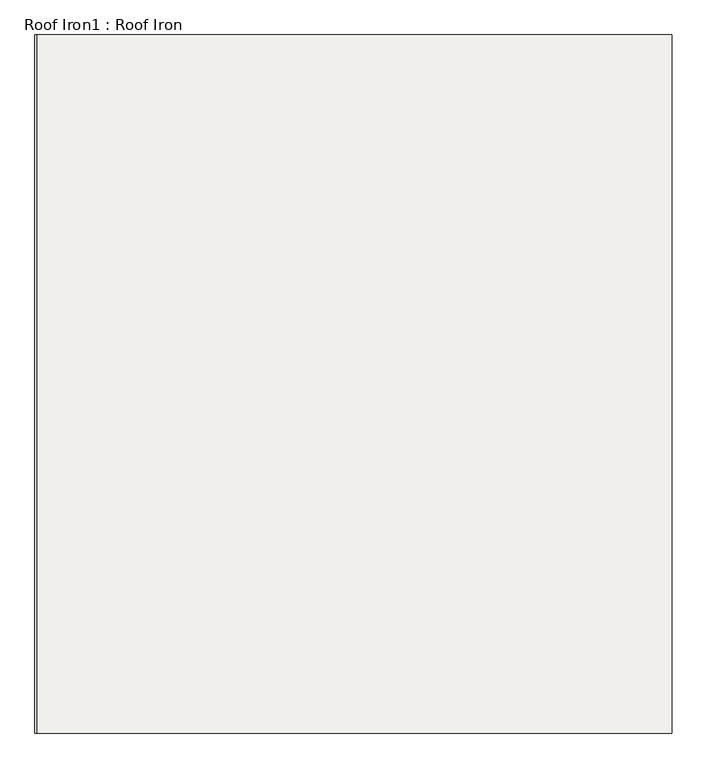
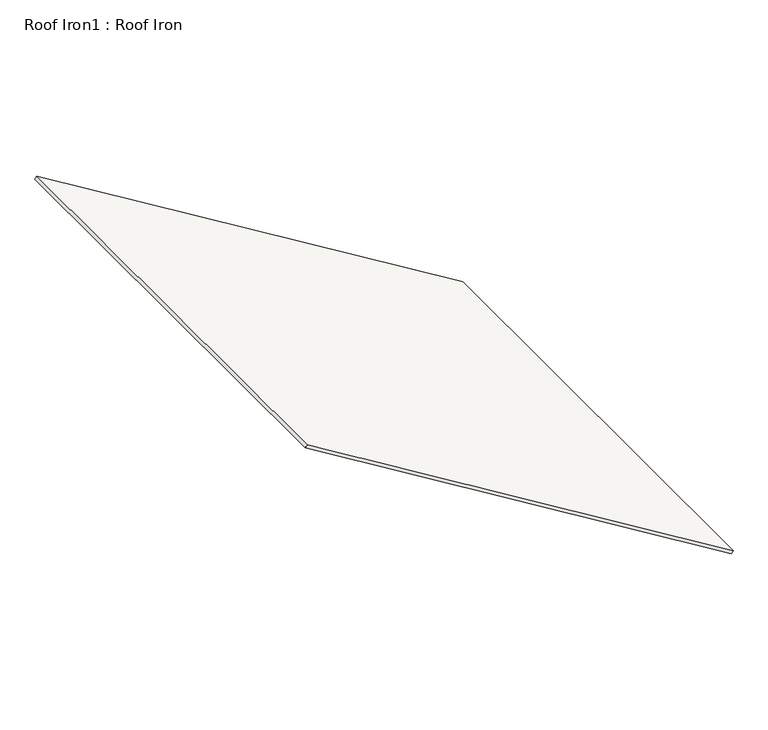
"""IFC4 building model written with IfcOpenShell, lengths in millimetres: roof geometry, Roof Iron1 : Roof Iron."""

from ifc_helpers import new_model, si_unit, frame, origin, place, context, project, spatial, polyline, outline, extrude, source, transform, mapped, element, save


def roof_iron1_roof_iron_7908c2f7(model_context):
    return source(origin(), model_context, "Body", "SweptSolid", [
        extrude(outline(polyline([(1196.120221, 0.0), (1196.120221, -2160.0), (-1107.6883268, -2160.0), (-1107.6883268, 0.0), (1196.120221, 0.0)])), frame((1028.152151, 22409.3062265, 547.0814417), z_axis=(0.5224985647159532, 0.0, 0.8526401643540896), x_axis=(0.8526401643540896, 0.0, -0.5224985647159532)), (0.0, 0.0, 1.0), 14.1407877),
    ])


if __name__ == "__main__":
    model = new_model("IFC4")
    model_context = context("Model", 3, world=origin())
    ifc_project = project(units=[si_unit("LENGTHUNIT", "METRE", prefix="MILLI")], contexts=[model_context])
    site = spatial("IfcSite", under=ifc_project)
    building = spatial("IfcBuilding", under=site)
    placement = place(None, origin())
    roof_iron1_roof_iron_shape = roof_iron1_roof_iron_7908c2f7(model_context)
    element("IfcRoof", 1, ObjectType="Roof Iron1 : Roof Iron", at=placement, inside=building, context=model_context, shape_type="MappedRepresentation", body=[
        mapped(roof_iron1_roof_iron_shape, transform((0.0, 0.0, 0.0), x_axis=(1.0, 0.0, 0.0), y_axis=(0.0, 1.0, 0.0), z_axis=(0.0, 0.0, 1.0))),
    ])
    save(model, "model.ifc")
